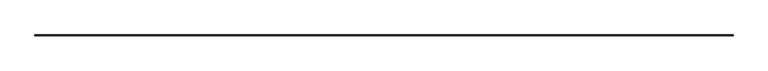
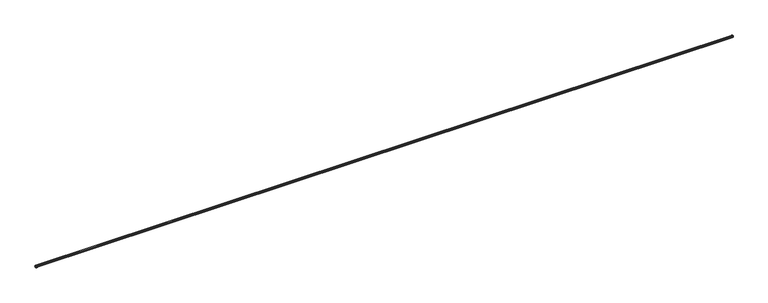
"""IFC4 building model written with IfcOpenShell, lengths in millimetres: railing geometry."""

from ifc_helpers import new_model, si_unit, frame, origin, place, context, project, spatial, polyline, circle_curve, ellipse_curve, source, transform, mapped, element, save
from ifc_brep_helpers import plane_surface, cylinder_surface, revolved_surface, advanced_brep


def railing_58721447(model_context):
    return source(origin(), model_context, "Body", "AdvancedBrep", [
        advanced_brep(
        [(25075.4823719, 66184.3926023, 663.956), (25075.4823719, 66184.3926023, 667.6887442), (6785.4503719, 66184.3926023, 667.6887442), (6785.4503719, 66184.3926023, 663.956), (25074.4663719, 66183.3766023, 663.575), (6786.4663719, 66183.3766023, 663.575), (25076.2761219, 66185.1863523, 687.578), (25075.4823719, 66184.3926023, 688.37175), (6785.4503719, 66184.3926023, 688.37175), (6784.6566219, 66185.1863523, 687.578), (25075.4823719, 66184.3926023, 707.644), (25074.4663719, 66183.3766023, 708.025), (6786.4663719, 66183.3766023, 708.025), (6785.4503719, 66184.3926023, 707.644), (25075.4823719, 66184.3926023, 683.22825), (25076.2761219, 66185.1863523, 684.022), (6784.6566219, 66185.1863523, 684.022), (6785.4503719, 66184.3926023, 683.22825), (25074.4663719, 66182.5828523, 711.2), (25074.4663719, 66182.5828523, 708.025), (25075.4823719, 66182.5828523, 707.644), (25075.4823719, 66182.5828523, 703.9112558), (25075.4823719, 66182.5828523, 693.0633442), (25075.4823719, 66182.5828523, 688.37175), (25076.2761219, 66182.5828523, 687.578), (25083.1023719, 66182.5828523, 687.578), (25083.1023719, 66182.5828523, 684.022), (25076.2761219, 66182.5828523, 684.022), (25075.4823719, 66182.5828523, 683.22825), (25075.4823719, 66182.5828523, 678.5366558), (25075.4823719, 66182.5828523, 667.6887442), (25075.4823719, 66182.5828523, 663.956), (25074.4663719, 66182.5828523, 663.575), (25074.4663719, 66182.5828523, 660.4), (25095.0403719, 66182.5828523, 660.4), (25098.2153719, 66182.5828523, 671.5125), (25092.6591219, 66182.5828523, 671.5125), (25091.8653719, 66182.5828523, 672.30625), (25091.8653719, 66182.5828523, 673.89375), (25092.6591219, 66182.5828523, 674.6875), (25098.4576143, 66182.5828523, 674.6875), (25098.4576143, 66182.5828523, 696.9125), (25092.6591219, 66182.5828523, 696.9125), (25091.8653719, 66182.5828523, 697.70625), (25091.8653719, 66182.5828523, 699.29375), (25092.6591219, 66182.5828523, 700.0875), (25098.2153719, 66182.5828523, 700.0875), (25095.0403719, 66182.5828523, 711.2), (6786.4663719, 66182.5828523, 711.2), (6765.8923719, 66182.5828523, 711.2), (6762.7173719, 66182.5828523, 700.0875), (6768.2736219, 66182.5828523, 700.0875), (6769.0673719, 66182.5828523, 699.29375), (6769.0673719, 66182.5828523, 697.70625), (6768.2736219, 66182.5828523, 696.9125), (6762.4751295, 66182.5828523, 696.9125), (6762.4751295, 66182.5828523, 674.6875), (6768.2736219, 66182.5828523, 674.6875), (6769.0673719, 66182.5828523, 673.89375), (6769.0673719, 66182.5828523, 672.30625), (6768.2736219, 66182.5828523, 671.5125), (6762.7173719, 66182.5828523, 671.5125), (6765.8923719, 66182.5828523, 660.4), (6786.4663719, 66182.5828523, 660.4), (6786.4663719, 66182.5828523, 663.575), (6785.4503719, 66182.5828523, 663.956), (6785.4503719, 66182.5828523, 667.6887442), (6785.4503719, 66182.5828523, 678.5366558), (6785.4503719, 66182.5828523, 683.22825), (6784.6566219, 66182.5828523, 684.022), (6777.8303719, 66182.5828523, 684.022), (6777.8303719, 66182.5828523, 687.578), (6784.6566219, 66182.5828523, 687.578), (6785.4503719, 66182.5828523, 688.37175), (6785.4503719, 66182.5828523, 693.0633442), (6785.4503719, 66182.5828523, 703.9112558), (6785.4503719, 66182.5828523, 707.644), (6786.4663719, 66182.5828523, 708.025), (25074.4663719, 66183.3766023, 711.2), (25095.0403719, 66203.9506023, 711.2), (6765.8923719, 66203.9506023, 711.2), (6786.4663719, 66183.3766023, 711.2), (25098.2153719, 66207.1256023, 700.0875), (6762.7173719, 66207.1256023, 700.0875), (25092.6591219, 66201.5693523, 700.0875), (6768.2736219, 66201.5693523, 700.0875), (25091.8653719, 66200.7756023, 699.29375), (6769.0673719, 66200.7756023, 699.29375), (25091.8653719, 66200.7756023, 697.70625), (6769.0673719, 66200.7756023, 697.70625), (25092.6591219, 66201.5693523, 696.9125), (6768.2736219, 66201.5693523, 696.9125), (25098.4576143, 66207.3678447, 696.9125), (6762.4751295, 66207.3678447, 696.9125), (25098.4576143, 66207.3678447, 674.6875), (6762.4751295, 66207.3678447, 674.6875), (25092.6591219, 66201.5693523, 674.6875), (6768.2736219, 66201.5693523, 674.6875), (25091.8653719, 66200.7756023, 673.89375), (6769.0673719, 66200.7756023, 673.89375), (25091.8653719, 66200.7756023, 672.30625), (6769.0673719, 66200.7756023, 672.30625), (25092.6591219, 66201.5693523, 671.5125), (6768.2736219, 66201.5693523, 671.5125), (25098.2153719, 66207.1256023, 671.5125), (6762.7173719, 66207.1256023, 671.5125), (25095.0403719, 66203.9506023, 660.4), (6765.8923719, 66203.9506023, 660.4), (25074.4663719, 66183.3766023, 660.4), (6786.4663719, 66183.3766023, 660.4), (25075.4823719, 66184.3926023, 703.9112558), (6785.4503719, 66184.3926023, 703.9112558), (25075.4823719, 66184.3926023, 693.0633442), (6785.4503719, 66184.3926023, 693.0633442), (25083.1023719, 66192.0126023, 687.578), (6777.8303719, 66192.0126023, 687.578), (25083.1023719, 66192.0126023, 684.022), (6777.8303719, 66192.0126023, 684.022), (25075.4823719, 66184.3926023, 678.5366558), (6785.4503719, 66184.3926023, 678.5366558)],
        [
            (0, 1),
            (1, 2),
            (2, 3),
            (3, 0),
            (4, 0),
            (3, 5),
            (5, 4),
            (6, 7),
            (7, 8),
            (8, 9),
            (9, 6),
            (10, 11),
            (11, 12),
            (12, 13),
            (13, 10),
            (14, 15),
            (15, 16),
            (16, 17),
            (17, 14),
            (18, 19),
            (19, 20),
            (20, 21),
            (21, 22, circle_curve(frame((25072.1803719, 66182.5828523, 698.4873), z_axis=(0.0, 1.0, 0.0), x_axis=(0.5200000000000491, 0.0, 0.854166260162475)), 6.35)),
            (22, 23),
            (23, 24),
            (24, 25),
            (25, 26),
            (26, 27),
            (27, 28),
            (28, 29),
            (29, 30, circle_curve(frame((25072.1803719, 66182.5828523, 673.1127), z_axis=(0.0, 1.0, 0.0), x_axis=(0.5200000000000491, 0.0, 0.854166260162475)), 6.35)),
            (30, 31),
            (31, 32),
            (32, 33),
            (33, 34),
            (34, 35, circle_curve(frame((25092.924613, 66182.5828523, 667.014324), z_axis=(0.0, -1.0, 0.0), x_axis=(0.7618660563708549, 0.0, 0.6477346000870429)), 6.9444739)),
            (35, 36),
            (36, 37, circle_curve(frame((25092.6591219, 66182.5828523, 672.30625), z_axis=(0.0, 1.0, 0.0), x_axis=(-1.0, 0.0, 0.0)), 0.79375)),
            (37, 38),
            (38, 39, circle_curve(frame((25092.6591219, 66182.5828523, 673.89375), z_axis=(0.0, 1.0, 0.0), x_axis=(0.0, 0.0, 1.0)), 0.79375)),
            (39, 40),
            (40, 41, circle_curve(frame((25055.4190869, 66182.5828523, 685.8), z_axis=(0.0, -1.0, 0.0), x_axis=(0.9682458365518529, 0.0, 0.25000000000000533)), 44.45)),
            (41, 42),
            (42, 43, circle_curve(frame((25092.6591219, 66182.5828523, 697.70625), z_axis=(0.0, 1.0, 0.0), x_axis=(-1.0, 0.0, 0.0)), 0.79375)),
            (43, 44),
            (44, 45, circle_curve(frame((25092.6591219, 66182.5828523, 699.29375), z_axis=(0.0, 1.0, 0.0), x_axis=(0.0, 0.0, 1.0)), 0.79375)),
            (45, 46),
            (46, 47, circle_curve(frame((25092.924613, 66182.5828523, 704.585676), z_axis=(0.0, -1.0, 0.0), x_axis=(0.3046679949859871, 0.0, 0.9524586147603573)), 6.9444739)),
            (47, 18),
            (48, 49),
            (49, 50, circle_curve(frame((6768.0081309, 66182.5828523, 704.585676), z_axis=(0.0, -1.0, 0.0), x_axis=(-0.3046679949859871, 0.0, 0.9524586147603573)), 6.9444739)),
            (50, 51),
            (51, 52, circle_curve(frame((6768.2736219, 66182.5828523, 699.29375), z_axis=(0.0, 1.0, 0.0), x_axis=(0.0, 0.0, 1.0)), 0.79375)),
            (52, 53),
            (53, 54, circle_curve(frame((6768.2736219, 66182.5828523, 697.70625), z_axis=(0.0, 1.0, 0.0), x_axis=(1.0, 0.0, 0.0)), 0.79375)),
            (54, 55),
            (55, 56, circle_curve(frame((6805.513657, 66182.5828523, 685.8), z_axis=(0.0, -1.0, 0.0), x_axis=(-0.9682458365518529, 0.0, 0.25000000000000533)), 44.45)),
            (56, 57),
            (57, 58, circle_curve(frame((6768.2736219, 66182.5828523, 673.89375), z_axis=(0.0, 1.0, 0.0), x_axis=(0.0, 0.0, 1.0)), 0.79375)),
            (58, 59),
            (59, 60, circle_curve(frame((6768.2736219, 66182.5828523, 672.30625), z_axis=(0.0, 1.0, 0.0), x_axis=(1.0, 0.0, 0.0)), 0.79375)),
            (60, 61),
            (61, 62, circle_curve(frame((6768.0081309, 66182.5828523, 667.014324), z_axis=(0.0, -1.0, 0.0), x_axis=(-0.7618660563708549, 0.0, 0.6477346000870429)), 6.9444739)),
            (62, 63),
            (63, 64),
            (64, 65),
            (65, 66),
            (66, 67, circle_curve(frame((6788.7523719, 66182.5828523, 673.1127), z_axis=(0.0, 1.0, 0.0), x_axis=(-0.5200000000000491, 0.0, 0.854166260162475)), 6.35)),
            (67, 68),
            (68, 69),
            (69, 70),
            (70, 71),
            (71, 72),
            (72, 73),
            (73, 74),
            (74, 75, circle_curve(frame((6788.7523719, 66182.5828523, 698.4873), z_axis=(0.0, 1.0, 0.0), x_axis=(-0.5200000000000491, 0.0, 0.854166260162475)), 6.35)),
            (75, 76),
            (76, 77),
            (77, 48),
            (78, 79),
            (79, 80),
            (80, 81),
            (81, 78),
            (79, 82, ellipse_curve(frame((25092.924613, 66201.8348434, 704.585676), z_axis=(-0.7071067811865461, 0.7071067811865488, 0.0), x_axis=(0.7071067811865489, 0.707106781186546, 0.0)), 9.8209692, 6.9444739)),
            (82, 83),
            (83, 80, ellipse_curve(frame((6768.0081309, 66201.8348434, 704.585676), z_axis=(0.7071067811865488, 0.7071067811865461, 0.0), x_axis=(0.7071067811865462, -0.7071067811865487, 0.0)), 9.8209692, 6.9444739)),
            (82, 84),
            (84, 85),
            (85, 83),
            (84, 86, ellipse_curve(frame((25092.6591219, 66201.5693523, 699.29375), z_axis=(0.7071067811865461, -0.7071067811865488, 0.0), x_axis=(-0.7071067811865489, -0.707106781186546, 0.0)), 1.122532, 0.79375)),
            (86, 87),
            (87, 85, ellipse_curve(frame((6768.2736219, 66201.5693523, 699.29375), z_axis=(-0.7071067811865488, -0.7071067811865461, 0.0), x_axis=(-0.7071067811865462, 0.7071067811865487, 0.0)), 1.122532, 0.79375)),
            (86, 88),
            (88, 89),
            (89, 87),
            (88, 90, ellipse_curve(frame((25092.6591219, 66201.5693523, 697.70625), z_axis=(0.7071067811865461, -0.7071067811865488, 0.0), x_axis=(-0.7071067811865489, -0.707106781186546, 0.0)), 1.122532, 0.79375)),
            (90, 91),
            (91, 89, ellipse_curve(frame((6768.2736219, 66201.5693523, 697.70625), z_axis=(-0.7071067811865488, -0.7071067811865461, 0.0), x_axis=(-0.7071067811865462, 0.7071067811865487, 0.0)), 1.122532, 0.79375)),
            (90, 92),
            (92, 93),
            (93, 91),
            (92, 94, ellipse_curve(frame((25055.4190869, 66164.3293173, 685.8), z_axis=(-0.7071067811865461, 0.7071067811865488, 0.0), x_axis=(0.7071067811865489, 0.707106781186546, 0.0)), 62.8617928, 44.45)),
            (94, 95),
            (95, 93, ellipse_curve(frame((6805.513657, 66164.3293173, 685.8), z_axis=(0.7071067811865488, 0.7071067811865461, 0.0), x_axis=(0.7071067811865462, -0.7071067811865487, 0.0)), 62.8617928, 44.45)),
            (94, 96),
            (96, 97),
            (97, 95),
            (96, 98, ellipse_curve(frame((25092.6591219, 66201.5693523, 673.89375), z_axis=(0.7071067811865461, -0.7071067811865488, 0.0), x_axis=(-0.7071067811865489, -0.707106781186546, 0.0)), 1.122532, 0.79375)),
            (98, 99),
            (99, 97, ellipse_curve(frame((6768.2736219, 66201.5693523, 673.89375), z_axis=(-0.7071067811865488, -0.7071067811865461, 0.0), x_axis=(-0.7071067811865462, 0.7071067811865487, 0.0)), 1.122532, 0.79375)),
            (98, 100),
            (100, 101),
            (101, 99),
            (100, 102, ellipse_curve(frame((25092.6591219, 66201.5693523, 672.30625), z_axis=(0.7071067811865461, -0.7071067811865488, 0.0), x_axis=(-0.7071067811865489, -0.707106781186546, 0.0)), 1.122532, 0.79375)),
            (102, 103),
            (103, 101, ellipse_curve(frame((6768.2736219, 66201.5693523, 672.30625), z_axis=(-0.7071067811865488, -0.7071067811865461, 0.0), x_axis=(-0.7071067811865462, 0.7071067811865487, 0.0)), 1.122532, 0.79375)),
            (102, 104),
            (104, 105),
            (105, 103),
            (104, 106, ellipse_curve(frame((25092.924613, 66201.8348434, 667.014324), z_axis=(-0.7071067811865461, 0.7071067811865488, 0.0), x_axis=(0.7071067811865489, 0.707106781186546, 0.0)), 9.8209692, 6.9444739)),
            (106, 107),
            (107, 105, ellipse_curve(frame((6768.0081309, 66201.8348434, 667.014324), z_axis=(0.7071067811865488, 0.7071067811865461, 0.0), x_axis=(0.7071067811865462, -0.7071067811865487, 0.0)), 9.8209692, 6.9444739)),
            (106, 108),
            (108, 109),
            (109, 107),
            (108, 4),
            (5, 109),
            (110, 10),
            (13, 111),
            (111, 110),
            (112, 110, ellipse_curve(frame((25072.1803719, 66181.0906023, 698.4873), z_axis=(0.7071067811865461, -0.7071067811865488, 0.0), x_axis=(-0.7071067811865489, -0.707106781186546, 0.0)), 8.9802561, 6.35)),
            (111, 113, ellipse_curve(frame((6788.7523719, 66181.0906023, 698.4873), z_axis=(-0.7071067811865488, -0.7071067811865461, 0.0), x_axis=(-0.7071067811865462, 0.7071067811865487, 0.0)), 8.9802561, 6.35)),
            (113, 112),
            (7, 112),
            (113, 8),
            (114, 6),
            (9, 115),
            (115, 114),
            (116, 114),
            (115, 117),
            (117, 116),
            (15, 116),
            (117, 16),
            (118, 14),
            (17, 119),
            (119, 118),
            (1, 118, ellipse_curve(frame((25072.1803719, 66181.0906023, 673.1127), z_axis=(0.7071067811865461, -0.7071067811865488, 0.0), x_axis=(-0.7071067811865489, -0.707106781186546, 0.0)), 8.9802561, 6.35)),
            (119, 2, ellipse_curve(frame((6788.7523719, 66181.0906023, 673.1127), z_axis=(-0.7071067811865488, -0.7071067811865461, 0.0), x_axis=(-0.7071067811865462, 0.7071067811865487, 0.0)), 8.9802561, 6.35)),
            (11, 78),
            (81, 12),
            (18, 78),
            (11, 19),
            (47, 79),
            (81, 48),
            (77, 12),
            (80, 49),
            (20, 10),
            (110, 21),
            (32, 4),
            (108, 33),
            (106, 34),
            (104, 35),
            (102, 36),
            (100, 37),
            (98, 38),
            (96, 39),
            (94, 40),
            (92, 41),
            (90, 42),
            (88, 43),
            (86, 44),
            (84, 45),
            (82, 46),
            (13, 76),
            (75, 111),
            (5, 64),
            (63, 109),
            (62, 107),
            (61, 105),
            (60, 103),
            (59, 101),
            (58, 99),
            (57, 97),
            (56, 95),
            (55, 93),
            (54, 91),
            (53, 89),
            (52, 87),
            (51, 85),
            (50, 83),
            (25, 114),
            (116, 26),
            (24, 6),
            (22, 112),
            (7, 23),
            (115, 71),
            (70, 117),
            (9, 72),
            (113, 74),
            (73, 8),
            (28, 14),
            (118, 29),
            (15, 27),
            (17, 68),
            (67, 119),
            (69, 16),
            (1, 30),
            (0, 31),
            (66, 2),
            (65, 3),
        ],
        [
            plane_surface(frame((25075.4823719, 66184.3926023, 667.6887442), z_axis=(0.0, -1.0, 0.0), x_axis=(-1.0, 0.0, 0.0))),
            plane_surface(frame((25075.4823719, 66184.3926023, 663.956), z_axis=(0.0, -0.3511234415874241, 0.9363291775694074), x_axis=(-1.0, 0.0, 0.0))),
            plane_surface(frame((25075.4823719, 66184.3926023, 688.37175), z_axis=(0.0, -0.707106781186549, -0.707106781186546), x_axis=(-1.0, 0.0, 0.0))),
            plane_surface(frame((25074.4663719, 66183.3766023, 708.025), z_axis=(0.0, -0.3511234415880363, -0.9363291775691779), x_axis=(-1.0, 0.0, 0.0))),
            plane_surface(frame((25076.2761219, 66185.1863523, 684.022), z_axis=(0.0, -0.7071067811865469, 0.7071067811865481), x_axis=(-1.0, 0.0, 0.0))),
            plane_surface(frame((25074.4663719, 66182.5828523, 711.2), z_axis=(0.0, -1.0, 0.0), x_axis=(0.0, 0.0, 1.0))),
            plane_surface(frame((6786.4663719, 66182.5828523, 711.2), z_axis=(0.0, -1.0, 0.0), x_axis=(0.0, 0.0, -1.0))),
            plane_surface(frame((25095.0403719, 66203.9506023, 711.2), z_axis=(0.0, 0.0, 1.0), x_axis=(-1.0, 0.0, 0.0))),
            cylinder_surface(frame((25074.4663719, 66201.8348434, 704.585676), z_axis=(1.0000000000000002, 0.0, 0.0), x_axis=(0.0, 0.3046679949859871, 0.9524586147603573)), 6.9444739),
            plane_surface(frame((25092.6591219, 66201.5693523, 700.0875), z_axis=(0.0, 0.0, -1.0), x_axis=(-1.0, 0.0, 0.0))),
            revolved_surface(polyline([(6767.479871910702, 66201.5693523, 700.0875000000001), (25093.452871889298, 66201.5693523, 700.0875000000001)]), (25074.4663719, 66201.5693523, 699.29375), (-1.0, 0.0, 0.0)),
            plane_surface(frame((25091.8653719, 66200.7756023, 697.70625), z_axis=(0.0, 1.0, 0.0), x_axis=(-1.0, 0.0, 0.0))),
            revolved_surface(polyline([(6767.479871910702, 66200.7756023, 697.70625), (25093.452871889298, 66200.7756023, 697.70625)]), (25074.4663719, 66201.5693523, 697.70625), (-1.0, 0.0, 0.0)),
            plane_surface(frame((25098.4576143, 66207.3678447, 696.9125), z_axis=(0.0, 0.0, 1.0), x_axis=(-1.0, 0.0, 0.0))),
            cylinder_surface(frame((25074.4663719, 66164.3293173, 685.8), z_axis=(1.0, 0.0, 0.0), x_axis=(0.0, 0.9682458365518529, 0.25000000000000533)), 44.45),
            plane_surface(frame((25092.6591219, 66201.5693523, 674.6875), z_axis=(0.0, 0.0, -1.0), x_axis=(-1.0, 0.0, 0.0))),
            revolved_surface(polyline([(6767.479871910702, 66201.5693523, 674.6875), (25093.452871889298, 66201.5693523, 674.6875)]), (25074.4663719, 66201.5693523, 673.89375), (-1.0, 0.0, 0.0)),
            plane_surface(frame((25091.8653719, 66200.7756023, 672.30625), z_axis=(0.0, 1.0, 0.0), x_axis=(-1.0, 0.0, 0.0))),
            revolved_surface(polyline([(6767.479871910702, 66200.7756023, 672.30625), (25093.452871889298, 66200.7756023, 672.30625)]), (25074.4663719, 66201.5693523, 672.30625), (-1.0, 0.0, 0.0)),
            plane_surface(frame((25098.2153719, 66207.1256023, 671.5125), z_axis=(0.0, 0.0, 1.0), x_axis=(-1.0, 0.0, 0.0))),
            cylinder_surface(frame((25074.4663719, 66201.8348434, 667.014324), z_axis=(1.0, 0.0, 0.0), x_axis=(0.0, 0.7618660563708549, 0.6477346000870429)), 6.9444739),
            plane_surface(frame((25074.4663719, 66183.3766023, 660.4), z_axis=(0.0, 0.0, -1.0), x_axis=(-1.0, 0.0, 0.0))),
            plane_surface(frame((25074.4663719, 66183.3766023, 663.575), z_axis=(0.0, -1.0, 0.0), x_axis=(-1.0, 0.0, 0.0))),
            plane_surface(frame((25075.4823719, 66184.3926023, 707.644), z_axis=(0.0, -1.0, 0.0), x_axis=(-1.0, 0.0, 0.0))),
            revolved_surface(polyline([(6782.402371914897, 66184.3926023, 703.9112557520317), (25078.530371885103, 66184.3926023, 703.9112557520317)]), (25074.4663719, 66181.0906023, 698.4873), (-1.0, 0.0, 0.0)),
            plane_surface(frame((25075.4823719, 66184.3926023, 693.0633442), z_axis=(0.0, -1.0, 0.0), x_axis=(-1.0, 0.0, 0.0))),
            plane_surface(frame((25076.2761219, 66185.1863523, 687.578), z_axis=(0.0, 0.0, -1.0), x_axis=(-1.0, 0.0, 0.0))),
            plane_surface(frame((25083.1023719, 66192.0126023, 687.578), z_axis=(0.0, -1.0, 0.0), x_axis=(-1.0, 0.0, 0.0))),
            plane_surface(frame((25083.1023719, 66192.0126023, 684.022), z_axis=(0.0, 0.0, 1.0), x_axis=(-1.0, 0.0, 0.0))),
            plane_surface(frame((25075.4823719, 66184.3926023, 683.22825), z_axis=(0.0, -1.0, 0.0), x_axis=(-1.0, 0.0, 0.0))),
            revolved_surface(polyline([(6782.402371914897, 66184.3926023, 678.5366557520317), (25078.530371885103, 66184.3926023, 678.5366557520317)]), (25074.4663719, 66181.0906023, 673.1127), (-1.0, 0.0, 0.0)),
            plane_surface(frame((25074.4663719, 66183.3766023, 711.2), z_axis=(0.0, -1.0, 0.0), x_axis=(-1.0, 0.0, 0.0))),
            plane_surface(frame((25074.4663719, 66182.5828523, 711.2), z_axis=(-1.0, 0.0, 0.0), x_axis=(0.0, 1.0, 0.0))),
            plane_surface(frame((25095.0403719, 66182.5828523, 711.2), z_axis=(0.0, 0.0, 1.0), x_axis=(0.0, 1.0, 0.0))),
            plane_surface(frame((6786.4663719, 66183.3766023, 711.2), z_axis=(1.0, 2.728484105269154e-12, 0.0), x_axis=(2.728484105269154e-12, -1.0, 0.0))),
            plane_surface(frame((6765.8923719, 66203.9506023, 711.2), z_axis=(0.0, 0.0, 1.0), x_axis=(0.0, -1.0, 0.0))),
            plane_surface(frame((25075.4823719, 66182.5828523, 707.644), z_axis=(-1.0, 0.0, 0.0), x_axis=(0.0, 1.0, 0.0))),
            plane_surface(frame((25074.4663719, 66182.5828523, 663.575), z_axis=(-1.0, 0.0, 0.0), x_axis=(0.0, 1.0, 0.0))),
            plane_surface(frame((25074.4663719, 66182.5828523, 660.4), z_axis=(0.0, 0.0, -1.0), x_axis=(0.0, 1.0, 0.0))),
            cylinder_surface(frame((25092.924613, 66182.5828523, 667.014324), z_axis=(0.0, -1.0, 0.0), x_axis=(0.7618660563708549, 0.0, 0.6477346000870429)), 6.9444739),
            plane_surface(frame((25098.2153719, 66182.5828523, 671.5125), z_axis=(0.0, 0.0, 1.0), x_axis=(0.0, 1.0, 0.0))),
            revolved_surface(polyline([(25091.8653719, 66202.3631022893, 672.30625), (25091.8653719, 66182.5828523, 672.30625)]), (25092.6591219, 66182.5828523, 672.30625), (0.0, 1.0, 0.0)),
            plane_surface(frame((25091.8653719, 66182.5828523, 672.30625), z_axis=(1.0, 0.0, 0.0), x_axis=(0.0, 1.0, 0.0))),
            revolved_surface(polyline([(25092.6591219, 66202.3631022893, 674.6875), (25092.6591219, 66182.5828523, 674.6875)]), (25092.6591219, 66182.5828523, 673.89375), (0.0, 1.0, 0.0)),
            plane_surface(frame((25092.6591219, 66182.5828523, 674.6875), z_axis=(0.0, 0.0, -1.0), x_axis=(0.0, 1.0, 0.0))),
            cylinder_surface(frame((25055.4190869, 66182.5828523, 685.8), z_axis=(0.0, -1.0, 0.0), x_axis=(0.9682458365518529, 0.0, 0.25000000000000533)), 44.45),
            plane_surface(frame((25098.4576143, 66182.5828523, 696.9125), z_axis=(0.0, 0.0, 1.0), x_axis=(0.0, 1.0, 0.0))),
            revolved_surface(polyline([(25091.8653719, 66202.3631022893, 697.70625), (25091.8653719, 66182.5828523, 697.70625)]), (25092.6591219, 66182.5828523, 697.70625), (0.0, 1.0, 0.0)),
            plane_surface(frame((25091.8653719, 66182.5828523, 697.70625), z_axis=(1.0, 0.0, 0.0), x_axis=(0.0, 1.0, 0.0))),
            revolved_surface(polyline([(25092.6591219, 66202.3631022893, 700.0875000000001), (25092.6591219, 66182.5828523, 700.0875000000001)]), (25092.6591219, 66182.5828523, 699.29375), (0.0, 1.0, 0.0)),
            plane_surface(frame((25092.6591219, 66182.5828523, 700.0875), z_axis=(0.0, 0.0, -1.0), x_axis=(0.0, 1.0, 0.0))),
            cylinder_surface(frame((25092.924613, 66182.5828523, 704.585676), z_axis=(0.0, -1.0000000000000002, 0.0), x_axis=(0.3046679949859871, 0.0, 0.9524586147603573)), 6.9444739),
            plane_surface(frame((6785.4503719, 66184.3926023, 707.644), z_axis=(1.0, 1.196703554955443e-12, 0.0), x_axis=(1.196703554955443e-12, -1.0, 0.0))),
            plane_surface(frame((6786.4663719, 66183.3766023, 663.575), z_axis=(1.0, 2.728484105269154e-12, 0.0), x_axis=(2.728484105269154e-12, -1.0, 0.0))),
            plane_surface(frame((6786.4663719, 66183.3766023, 660.4), z_axis=(0.0, 0.0, -1.0), x_axis=(0.0, -1.0, 0.0))),
            cylinder_surface(frame((6768.0081309, 66183.3766023, 667.014324), z_axis=(0.0, 1.0, 0.0), x_axis=(-0.7618660563708549, 0.0, 0.6477346000870429)), 6.9444739),
            plane_surface(frame((6762.7173719, 66207.1256023, 671.5125), z_axis=(0.0, 0.0, 1.0), x_axis=(0.0, -1.0, 0.0))),
            revolved_surface(polyline([(6769.0673719, 66182.5828523, 672.30625), (6769.0673719, 66202.3631022893, 672.30625)]), (6768.2736219, 66183.3766023, 672.30625), (0.0, -1.0, 0.0)),
            plane_surface(frame((6769.0673719, 66200.7756023, 672.30625), z_axis=(-1.0, 0.0, 0.0), x_axis=(0.0, -1.0, 0.0))),
            revolved_surface(polyline([(6768.2736219, 66182.5828523, 674.6875), (6768.2736219, 66202.3631022893, 674.6875)]), (6768.2736219, 66183.3766023, 673.89375), (0.0, -1.0, 0.0)),
            plane_surface(frame((6768.2736219, 66201.5693523, 674.6875), z_axis=(0.0, 0.0, -1.0), x_axis=(0.0, -1.0, 0.0))),
            cylinder_surface(frame((6805.513657, 66183.3766023, 685.8), z_axis=(0.0, 1.0, 0.0), x_axis=(-0.9682458365518529, 0.0, 0.25000000000000533)), 44.45),
            plane_surface(frame((6762.4751295, 66207.3678447, 696.9125), z_axis=(0.0, 0.0, 1.0), x_axis=(0.0, -1.0, 0.0))),
            revolved_surface(polyline([(6769.0673719, 66182.5828523, 697.70625), (6769.0673719, 66202.3631022893, 697.70625)]), (6768.2736219, 66183.3766023, 697.70625), (0.0, -1.0, 0.0)),
            plane_surface(frame((6769.0673719, 66200.7756023, 697.70625), z_axis=(-1.0, 0.0, 0.0), x_axis=(0.0, -1.0, 0.0))),
            revolved_surface(polyline([(6768.2736219, 66182.5828523, 700.0875000000001), (6768.2736219, 66202.3631022893, 700.0875000000001)]), (6768.2736219, 66183.3766023, 699.29375), (0.0, -1.0, 0.0)),
            plane_surface(frame((6768.2736219, 66201.5693523, 700.0875), z_axis=(0.0, 0.0, -1.0), x_axis=(0.0, -1.0, 0.0))),
            cylinder_surface(frame((6768.0081309, 66183.3766023, 704.585676), z_axis=(0.0, 1.0000000000000002, 0.0), x_axis=(-0.3046679949859871, 0.0, 0.9524586147603573)), 6.9444739),
            plane_surface(frame((25083.1023719, 66182.5828523, 687.578), z_axis=(-1.0, 0.0, 0.0), x_axis=(0.0, 1.0, 0.0))),
            plane_surface(frame((25076.2761219, 66182.5828523, 687.578), z_axis=(0.0, 0.0, -1.0), x_axis=(0.0, 1.0, 0.0))),
            plane_surface(frame((25075.4823719, 66182.5828523, 693.0633442), z_axis=(-1.0, 0.0, 0.0), x_axis=(0.0, 1.0, 0.0))),
            revolved_surface(polyline([(25075.4823719, 66187.4406022851, 703.9112557520317), (25075.4823719, 66174.7406023149, 703.9112557520317)]), (25072.1803719, 66182.5828523, 698.4873), (0.0, 1.0, 0.0)),
            plane_surface(frame((6777.8303719, 66192.0126023, 687.578), z_axis=(1.0, 0.0, 0.0), x_axis=(0.0, -1.0, 0.0))),
            plane_surface(frame((6784.6566219, 66185.1863523, 687.578), z_axis=(0.0, 0.0, -1.0), x_axis=(0.0, -1.0, 0.0))),
            plane_surface(frame((6785.4503719, 66184.3926023, 693.0633442), z_axis=(1.0, 1.196703554955443e-12, 0.0), x_axis=(1.196703554955443e-12, -1.0, 0.0))),
            revolved_surface(polyline([(6785.4503718999995, 66174.7406023149, 703.9112557520317), (6785.4503718999995, 66187.4406022851, 703.9112557520317)]), (6788.7523719, 66183.3766023, 698.4873), (0.0, -1.0, 0.0)),
            plane_surface(frame((25075.4823719, 66182.5828523, 683.22825), z_axis=(-1.0, 0.0, 0.0), x_axis=(0.0, 1.0, 0.0))),
            plane_surface(frame((25083.1023719, 66182.5828523, 684.022), z_axis=(0.0, 0.0, 1.0), x_axis=(0.0, 1.0, 0.0))),
            plane_surface(frame((6785.4503719, 66184.3926023, 683.22825), z_axis=(1.0, 1.196703554955443e-12, 0.0), x_axis=(1.196703554955443e-12, -1.0, 0.0))),
            plane_surface(frame((6777.8303719, 66192.0126023, 684.022), z_axis=(0.0, 0.0, 1.0), x_axis=(0.0, -1.0, 0.0))),
            plane_surface(frame((25074.4663719, 66182.5828523, 708.025), z_axis=(-0.3511234415880363, 0.0, -0.9363291775691779), x_axis=(0.0, 1.0, 0.0))),
            plane_surface(frame((25075.4823719, 66182.5828523, 688.37175), z_axis=(-0.707106781186549, 0.0, -0.707106781186546), x_axis=(0.0, 1.0, 0.0))),
            plane_surface(frame((25076.2761219, 66182.5828523, 684.022), z_axis=(-0.7071067811865469, 0.0, 0.7071067811865481), x_axis=(0.0, 1.0, 0.0))),
            revolved_surface(polyline([(25075.4823719, 66187.4406022851, 678.5366557520317), (25075.4823719, 66174.7406023149, 678.5366557520317)]), (25072.1803719, 66182.5828523, 673.1127), (0.0, 1.0, 0.0)),
            plane_surface(frame((25075.4823719, 66182.5828523, 667.6887442), z_axis=(-1.0, 0.0, 0.0), x_axis=(0.0, 1.0, 0.0))),
            plane_surface(frame((25075.4823719, 66182.5828523, 663.956), z_axis=(-0.3511234415874241, 0.0, 0.9363291775694074), x_axis=(0.0, 1.0, 0.0))),
            plane_surface(frame((6786.4663719, 66183.3766023, 708.025), z_axis=(0.3511234415880363, 0.0, -0.9363291775691779), x_axis=(2.728484105269154e-12, -1.0, 0.0))),
            plane_surface(frame((6785.4503719, 66184.3926023, 688.37175), z_axis=(0.707106781186549, 0.0, -0.707106781186546), x_axis=(1.196703554955443e-12, -1.0, 0.0))),
            plane_surface(frame((6784.6566219, 66185.1863523, 684.022), z_axis=(0.7071067811865469, 0.0, 0.7071067811865481), x_axis=(0.0, -1.0, 0.0))),
            revolved_surface(polyline([(6785.4503718999995, 66174.7406023149, 678.5366557520317), (6785.4503718999995, 66187.4406022851, 678.5366557520317)]), (6788.7523719, 66183.3766023, 673.1127), (0.0, -1.0, 0.0)),
            plane_surface(frame((6785.4503719, 66184.3926023, 667.6887442), z_axis=(1.0, 1.196703554955443e-12, 0.0), x_axis=(1.196703554955443e-12, -1.0, 0.0))),
            plane_surface(frame((6785.4503719, 66184.3926023, 663.956), z_axis=(0.3511234415874241, 0.0, 0.9363291775694074), x_axis=(0.0, -1.0, 0.0))),
        ],
        [
            (0, [[1, 2, 3, 4]]),
            (1, [[5, -4, 6, 7]]),
            (2, [[8, 9, 10, 11]]),
            (3, [[12, 13, 14, 15]]),
            (4, [[16, 17, 18, 19]]),
            (5, [[20, 21, 22, 23, 24, 25, 26, 27, 28, 29, 30, 31, 32, 33, 34, 35, 36, 37, 38, 39, 40, 41, 42, 43, 44, 45, 46, 47, 48, 49]]),
            (6, [[50, 51, 52, 53, 54, 55, 56, 57, 58, 59, 60, 61, 62, 63, 64, 65, 66, 67, 68, 69, 70, 71, 72, 73, 74, 75, 76, 77, 78, 79]]),
            (7, [[80, 81, 82, 83]]),
            (8, [[84, 85, 86, -81]]),
            (9, [[87, 88, 89, -85]]),
            (10, [[90, 91, 92, -88]]),
            (11, [[93, 94, 95, -91]]),
            (12, [[96, 97, 98, -94]]),
            (13, [[99, 100, 101, -97]]),
            (14, [[102, 103, 104, -100]]),
            (15, [[105, 106, 107, -103]]),
            (16, [[108, 109, 110, -106]]),
            (17, [[111, 112, 113, -109]]),
            (18, [[114, 115, 116, -112]]),
            (19, [[117, 118, 119, -115]]),
            (20, [[120, 121, 122, -118]]),
            (21, [[123, 124, 125, -121]]),
            (22, [[126, -7, 127, -124]]),
            (23, [[128, -15, 129, 130]]),
            (24, [[131, -130, 132, 133]]),
            (25, [[134, -133, 135, -9]]),
            (26, [[136, -11, 137, 138]]),
            (27, [[139, -138, 140, 141]]),
            (28, [[142, -141, 143, -17]]),
            (29, [[144, -19, 145, 146]]),
            (30, [[147, -146, 148, -2]]),
            (31, [[149, -83, 150, -13]]),
            (32, [[-20, 151, -149, 152]]),
            (33, [[-49, 153, -80, -151]]),
            (34, [[-150, 154, -79, 155]]),
            (35, [[-82, 156, -50, -154]]),
            (36, [[-22, 157, -128, 158]]),
            (37, [[-34, 159, -126, 160]]),
            (38, [[-35, -160, -123, 161]]),
            (39, [[-36, -161, -120, 162]]),
            (40, [[-37, -162, -117, 163]]),
            (41, [[-38, -163, -114, 164]]),
            (42, [[-39, -164, -111, 165]]),
            (43, [[-40, -165, -108, 166]]),
            (44, [[-41, -166, -105, 167]]),
            (45, [[-42, -167, -102, 168]]),
            (46, [[-43, -168, -99, 169]]),
            (47, [[-44, -169, -96, 170]]),
            (48, [[-45, -170, -93, 171]]),
            (49, [[-46, -171, -90, 172]]),
            (50, [[-47, -172, -87, 173]]),
            (51, [[-48, -173, -84, -153]]),
            (52, [[-129, 174, -77, 175]]),
            (53, [[-127, 176, -65, 177]]),
            (54, [[-125, -177, -64, 178]]),
            (55, [[-122, -178, -63, 179]]),
            (56, [[-119, -179, -62, 180]]),
            (57, [[-116, -180, -61, 181]]),
            (58, [[-113, -181, -60, 182]]),
            (59, [[-110, -182, -59, 183]]),
            (60, [[-107, -183, -58, 184]]),
            (61, [[-104, -184, -57, 185]]),
            (62, [[-101, -185, -56, 186]]),
            (63, [[-98, -186, -55, 187]]),
            (64, [[-95, -187, -54, 188]]),
            (65, [[-92, -188, -53, 189]]),
            (66, [[-89, -189, -52, 190]]),
            (67, [[-86, -190, -51, -156]]),
            (68, [[-27, 191, -139, 192]]),
            (69, [[-26, 193, -136, -191]]),
            (70, [[-24, 194, -134, 195]]),
            (71, [[-23, -158, -131, -194]]),
            (72, [[-140, 196, -72, 197]]),
            (73, [[-137, 198, -73, -196]]),
            (74, [[-135, 199, -75, 200]]),
            (75, [[-132, -175, -76, -199]]),
            (76, [[-30, 201, -144, 202]]),
            (77, [[-28, -192, -142, 203]]),
            (78, [[-145, 204, -69, 205]]),
            (79, [[-143, -197, -71, 206]]),
            (80, [[-21, -152, -12, -157]]),
            (81, [[-25, -195, -8, -193]]),
            (82, [[-29, -203, -16, -201]]),
            (83, [[-31, -202, -147, 207]]),
            (84, [[-32, -207, -1, 208]]),
            (85, [[-33, -208, -5, -159]]),
            (86, [[-14, -155, -78, -174]]),
            (87, [[-10, -200, -74, -198]]),
            (88, [[-18, -206, -70, -204]]),
            (89, [[-148, -205, -68, 209]]),
            (90, [[-3, -209, -67, 210]]),
            (91, [[-6, -210, -66, -176]]),
        ],
    ),
        advanced_brep(
        [(25101.3903719, 66210.3006023, 672.30625), (25100.5966219, 66209.5068523, 671.5125), (6760.3361219, 66209.5068523, 671.5125), (6759.5423719, 66210.3006023, 672.30625), (25092.6591219, 66201.5693523, 671.5125), (6768.2736219, 66201.5693523, 671.5125), (25091.8653719, 66200.7756023, 672.30625), (6769.0673719, 66200.7756023, 672.30625), (25091.8653719, 66200.7756023, 673.89375), (6769.0673719, 66200.7756023, 673.89375), (25092.6591219, 66182.5828523, 674.6875), (25091.8653719, 66182.5828523, 673.89375), (25091.8653719, 66182.5828523, 672.30625), (25092.6591219, 66182.5828523, 671.5125), (25100.5966219, 66182.5828523, 671.5125), (25101.3903719, 66182.5828523, 672.30625), (25101.3903719, 66182.5828523, 673.89375), (25100.5966219, 66182.5828523, 674.6875), (6768.2736219, 66182.5828523, 674.6875), (6760.3361219, 66182.5828523, 674.6875), (6759.5423719, 66182.5828523, 673.89375), (6759.5423719, 66182.5828523, 672.30625), (6760.3361219, 66182.5828523, 671.5125), (6768.2736219, 66182.5828523, 671.5125), (6769.0673719, 66182.5828523, 672.30625), (6769.0673719, 66182.5828523, 673.89375), (25092.6591219, 66201.5693523, 674.6875), (25101.3903719, 66210.3006023, 673.89375), (25100.5966219, 66209.5068523, 674.6875), (6768.2736219, 66201.5693523, 674.6875), (6759.5423719, 66210.3006023, 673.89375), (6760.3361219, 66209.5068523, 674.6875)],
        [
            (0, 1, ellipse_curve(frame((25100.5966219, 66209.5068523, 672.30625), z_axis=(-0.7071067811865461, 0.7071067811865488, 0.0), x_axis=(0.7071067811865489, 0.707106781186546, 0.0)), 1.122532, 0.79375)),
            (1, 2),
            (2, 3, ellipse_curve(frame((6760.3361219, 66209.5068523, 672.30625), z_axis=(0.7071067811865488, 0.7071067811865461, 0.0), x_axis=(0.7071067811865462, -0.7071067811865487, 0.0)), 1.122532, 0.79375)),
            (3, 0),
            (1, 4),
            (4, 5),
            (5, 2),
            (4, 6, ellipse_curve(frame((25092.6591219, 66201.5693523, 672.30625), z_axis=(-0.7071067811865461, 0.7071067811865488, 0.0), x_axis=(0.7071067811865489, 0.707106781186546, 0.0)), 1.122532, 0.79375)),
            (6, 7),
            (7, 5, ellipse_curve(frame((6768.2736219, 66201.5693523, 672.30625), z_axis=(0.7071067811865488, 0.7071067811865461, 0.0), x_axis=(0.7071067811865462, -0.7071067811865487, 0.0)), 1.122532, 0.79375)),
            (6, 8),
            (8, 9),
            (9, 7),
            (10, 11, circle_curve(frame((25092.6591219, 66182.5828523, 673.89375), z_axis=(0.0, -1.0, 0.0), x_axis=(0.0, 0.0, 1.0)), 0.79375)),
            (11, 12),
            (12, 13, circle_curve(frame((25092.6591219, 66182.5828523, 672.30625), z_axis=(0.0, -1.0, 0.0), x_axis=(0.0, 0.0, -1.0)), 0.79375)),
            (13, 14),
            (14, 15, circle_curve(frame((25100.5966219, 66182.5828523, 672.30625), z_axis=(0.0, -1.0, 0.0), x_axis=(1.0, 0.0, 0.0)), 0.79375)),
            (15, 16),
            (16, 17, circle_curve(frame((25100.5966219, 66182.5828523, 673.89375), z_axis=(0.0, -1.0, 0.0), x_axis=(0.0, 0.0, 1.0)), 0.79375)),
            (17, 10),
            (18, 19),
            (19, 20, circle_curve(frame((6760.3361219, 66182.5828523, 673.89375), z_axis=(0.0, -1.0, 0.0), x_axis=(0.0, 0.0, 1.0)), 0.79375)),
            (20, 21),
            (21, 22, circle_curve(frame((6760.3361219, 66182.5828523, 672.30625), z_axis=(0.0, -1.0, 0.0), x_axis=(-1.0, 0.0, 0.0)), 0.79375)),
            (22, 23),
            (23, 24, circle_curve(frame((6768.2736219, 66182.5828523, 672.30625), z_axis=(0.0, -1.0, 0.0), x_axis=(0.0, 0.0, -1.0)), 0.79375)),
            (24, 25),
            (25, 18, circle_curve(frame((6768.2736219, 66182.5828523, 673.89375), z_axis=(0.0, -1.0, 0.0), x_axis=(0.0, 0.0, 1.0)), 0.79375)),
            (10, 26),
            (26, 8, ellipse_curve(frame((25092.6591219, 66201.5693523, 673.89375), z_axis=(0.7071067811865461, -0.7071067811865488, 0.0), x_axis=(-0.7071067811865487, -0.7071067811865462, 0.0)), 1.122532, 0.79375)),
            (8, 11),
            (6, 12),
            (4, 13),
            (1, 14),
            (0, 15),
            (0, 27),
            (27, 16),
            (27, 28, ellipse_curve(frame((25100.5966219, 66209.5068523, 673.89375), z_axis=(0.7071067811865461, -0.7071067811865488, 0.0), x_axis=(-0.7071067811865487, -0.7071067811865462, 0.0)), 1.122532, 0.79375)),
            (28, 17),
            (28, 26),
            (26, 29),
            (29, 9, ellipse_curve(frame((6768.2736219, 66201.5693523, 673.89375), z_axis=(0.7071067811865488, 0.7071067811865461, 0.0), x_axis=(0.7071067811865462, -0.7071067811865487, 0.0)), 1.122532, 0.79375)),
            (3, 30),
            (30, 27),
            (30, 31, ellipse_curve(frame((6760.3361219, 66209.5068523, 673.89375), z_axis=(0.7071067811865488, 0.7071067811865461, 0.0), x_axis=(0.7071067811865462, -0.7071067811865487, 0.0)), 1.122532, 0.79375)),
            (31, 28),
            (31, 29),
            (29, 18),
            (25, 9),
            (24, 7),
            (23, 5),
            (22, 2),
            (21, 3),
            (20, 30),
            (19, 31),
        ],
        [
            cylinder_surface(frame((25074.4663719, 66209.5068523, 672.30625), z_axis=(1.0, 0.0, 0.0), x_axis=(0.0, 1.0, 0.0)), 0.79375),
            plane_surface(frame((25092.6591219, 66201.5693523, 671.5125), z_axis=(0.0, 0.0, -1.0), x_axis=(-1.0, 0.0, 0.0))),
            cylinder_surface(frame((25074.4663719, 66201.5693523, 672.30625), z_axis=(1.0, 0.0, 0.0), x_axis=(0.0, 0.0, -1.0)), 0.79375),
            plane_surface(frame((25091.8653719, 66200.7756023, 673.89375), z_axis=(0.0, -1.0, 0.0), x_axis=(-1.0, 0.0, 0.0))),
            plane_surface(frame((25074.4663719, 66182.5828523, 711.2), z_axis=(0.0, -1.0, 0.0), x_axis=(0.0, 0.0, 1.0))),
            plane_surface(frame((6786.4663719, 66182.5828523, 711.2), z_axis=(0.0, -1.0, 0.0), x_axis=(0.0, 0.0, -1.0))),
            cylinder_surface(frame((25092.6591219, 66182.5828523, 673.89375), z_axis=(0.0, -1.0, 0.0), x_axis=(0.0, 0.0, 1.0)), 0.79375),
            plane_surface(frame((25091.8653719, 66182.5828523, 673.89375), z_axis=(-1.0, 0.0, 0.0), x_axis=(0.0, 1.0, 0.0))),
            cylinder_surface(frame((25092.6591219, 66182.5828523, 672.30625), z_axis=(0.0, -1.0, 0.0), x_axis=(0.0, 0.0, -1.0)), 0.79375),
            plane_surface(frame((25092.6591219, 66182.5828523, 671.5125), z_axis=(0.0, 0.0, -1.0), x_axis=(0.0, 1.0, 0.0))),
            cylinder_surface(frame((25100.5966219, 66182.5828523, 672.30625), z_axis=(0.0, -1.0, 0.0), x_axis=(1.0, 0.0, 0.0)), 0.79375),
            plane_surface(frame((25101.3903719, 66182.5828523, 672.30625), z_axis=(1.0, 0.0, 0.0), x_axis=(0.0, 1.0, 0.0))),
            cylinder_surface(frame((25100.5966219, 66182.5828523, 673.89375), z_axis=(0.0, -1.0, 0.0), x_axis=(0.0, 0.0, 1.0)), 0.79375),
            plane_surface(frame((25100.5966219, 66182.5828523, 674.6875), z_axis=(0.0, 0.0, 1.0), x_axis=(0.0, 1.0, 0.0))),
            cylinder_surface(frame((25074.4663719, 66201.5693523, 673.89375), z_axis=(1.0, 0.0, 0.0), x_axis=(0.0, 0.0, 1.0)), 0.79375),
            plane_surface(frame((25101.3903719, 66210.3006023, 672.30625), z_axis=(0.0, 1.0, 0.0), x_axis=(-1.0, 0.0, 0.0))),
            cylinder_surface(frame((25074.4663719, 66209.5068523, 673.89375), z_axis=(1.0, 0.0, 0.0), x_axis=(0.0, 0.0, 1.0)), 0.79375),
            plane_surface(frame((25100.5966219, 66209.5068523, 674.6875), z_axis=(0.0, 0.0, 1.0), x_axis=(-1.0, 0.0, 0.0))),
            cylinder_surface(frame((6768.2736219, 66183.3766023, 673.89375), z_axis=(0.0, 1.0, 0.0), x_axis=(0.0, 0.0, 1.0)), 0.79375),
            plane_surface(frame((6769.0673719, 66200.7756023, 673.89375), z_axis=(1.0, 0.0, 0.0), x_axis=(0.0, -1.0, 0.0))),
            cylinder_surface(frame((6768.2736219, 66183.3766023, 672.30625), z_axis=(0.0, 1.0, 0.0), x_axis=(0.0, 0.0, -1.0)), 0.79375),
            plane_surface(frame((6768.2736219, 66201.5693523, 671.5125), z_axis=(0.0, 0.0, -1.0), x_axis=(0.0, -1.0, 0.0))),
            cylinder_surface(frame((6760.3361219, 66183.3766023, 672.30625), z_axis=(0.0, 1.0, 0.0), x_axis=(-1.0, 0.0, 0.0)), 0.79375),
            plane_surface(frame((6759.5423719, 66210.3006023, 672.30625), z_axis=(-1.0, 0.0, 0.0), x_axis=(0.0, -1.0, 0.0))),
            cylinder_surface(frame((6760.3361219, 66183.3766023, 673.89375), z_axis=(0.0, 1.0, 0.0), x_axis=(0.0, 0.0, 1.0)), 0.79375),
            plane_surface(frame((6760.3361219, 66209.5068523, 674.6875), z_axis=(0.0, 0.0, 1.0), x_axis=(0.0, -1.0, 0.0))),
        ],
        [
            (0, [[1, 2, 3, 4]]),
            (1, [[5, 6, 7, -2]]),
            (2, [[8, 9, 10, -6]]),
            (3, [[11, 12, 13, -9]]),
            (4, [[14, 15, 16, 17, 18, 19, 20, 21]]),
            (5, [[22, 23, 24, 25, 26, 27, 28, 29]]),
            (6, [[-14, 30, 31, 32]]),
            (7, [[-15, -32, -11, 33]]),
            (8, [[-16, -33, -8, 34]]),
            (9, [[-17, -34, -5, 35]]),
            (10, [[-18, -35, -1, 36]]),
            (11, [[-19, -36, 37, 38]]),
            (12, [[-20, -38, 39, 40]]),
            (13, [[-21, -40, 41, -30]]),
            (14, [[-31, 42, 43, -12]]),
            (15, [[-37, -4, 44, 45]]),
            (16, [[-39, -45, 46, 47]]),
            (17, [[-41, -47, 48, -42]]),
            (18, [[-43, 49, -29, 50]]),
            (19, [[-13, -50, -28, 51]]),
            (20, [[-10, -51, -27, 52]]),
            (21, [[-7, -52, -26, 53]]),
            (22, [[-3, -53, -25, 54]]),
            (23, [[-44, -54, -24, 55]]),
            (24, [[-46, -55, -23, 56]]),
            (25, [[-48, -56, -22, -49]]),
        ],
    ),
        advanced_brep(
        [(25092.6591219, 66182.5828523, 700.0875), (25091.8653719, 66182.5828523, 699.29375), (25091.8653719, 66182.5828523, 697.70625), (25092.6591219, 66182.5828523, 696.9125), (25100.5966219, 66182.5828523, 696.9125), (25101.3903719, 66182.5828523, 697.70625), (25101.3903719, 66182.5828523, 699.29375), (25100.5966219, 66182.5828523, 700.0875), (6768.2736219, 66182.5828523, 700.0875), (6760.3361219, 66182.5828523, 700.0875), (6759.5423719, 66182.5828523, 699.29375), (6759.5423719, 66182.5828523, 697.70625), (6760.3361219, 66182.5828523, 696.9125), (6768.2736219, 66182.5828523, 696.9125), (6769.0673719, 66182.5828523, 697.70625), (6769.0673719, 66182.5828523, 699.29375), (25092.6591219, 66201.5693523, 700.0875), (25091.8653719, 66200.7756023, 699.29375), (25091.8653719, 66200.7756023, 697.70625), (25092.6591219, 66201.5693523, 696.9125), (25100.5966219, 66209.5068523, 696.9125), (25101.3903719, 66210.3006023, 697.70625), (25101.3903719, 66210.3006023, 699.29375), (25100.5966219, 66209.5068523, 700.0875), (6768.2736219, 66201.5693523, 700.0875), (6769.0673719, 66200.7756023, 699.29375), (6769.0673719, 66200.7756023, 697.70625), (6768.2736219, 66201.5693523, 696.9125), (6760.3361219, 66209.5068523, 696.9125), (6759.5423719, 66210.3006023, 697.70625), (6759.5423719, 66210.3006023, 699.29375), (6760.3361219, 66209.5068523, 700.0875)],
        [
            (0, 1, circle_curve(frame((25092.6591219, 66182.5828523, 699.29375), z_axis=(0.0, -1.0, 0.0), x_axis=(0.0, 0.0, 1.0)), 0.79375)),
            (1, 2),
            (2, 3, circle_curve(frame((25092.6591219, 66182.5828523, 697.70625), z_axis=(0.0, -1.0, 0.0), x_axis=(0.0, 0.0, -1.0)), 0.79375)),
            (3, 4),
            (4, 5, circle_curve(frame((25100.5966219, 66182.5828523, 697.70625), z_axis=(0.0, -1.0, 0.0), x_axis=(1.0, 0.0, 0.0)), 0.79375)),
            (5, 6),
            (6, 7, circle_curve(frame((25100.5966219, 66182.5828523, 699.29375), z_axis=(0.0, -1.0, 0.0), x_axis=(0.0, 0.0, 1.0)), 0.79375)),
            (7, 0),
            (8, 9),
            (9, 10, circle_curve(frame((6760.3361219, 66182.5828523, 699.29375), z_axis=(0.0, -1.0, 0.0), x_axis=(0.0, 0.0, 1.0)), 0.79375)),
            (10, 11),
            (11, 12, circle_curve(frame((6760.3361219, 66182.5828523, 697.70625), z_axis=(0.0, -1.0, 0.0), x_axis=(-1.0, 0.0, 0.0)), 0.79375)),
            (12, 13),
            (13, 14, circle_curve(frame((6768.2736219, 66182.5828523, 697.70625), z_axis=(0.0, -1.0, 0.0), x_axis=(0.0, 0.0, -1.0)), 0.79375)),
            (14, 15),
            (15, 8, circle_curve(frame((6768.2736219, 66182.5828523, 699.29375), z_axis=(0.0, -1.0, 0.0), x_axis=(0.0, 0.0, 1.0)), 0.79375)),
            (0, 16),
            (16, 17, ellipse_curve(frame((25092.6591219, 66201.5693523, 699.29375), z_axis=(0.7071067811865461, -0.7071067811865488, 0.0), x_axis=(-0.7071067811865487, -0.7071067811865462, 0.0)), 1.122532, 0.79375)),
            (17, 1),
            (17, 18),
            (18, 2),
            (18, 19, ellipse_curve(frame((25092.6591219, 66201.5693523, 697.70625), z_axis=(0.7071067811865461, -0.7071067811865488, 0.0), x_axis=(-0.7071067811865487, -0.7071067811865462, 0.0)), 1.122532, 0.79375)),
            (19, 3),
            (19, 20),
            (20, 4),
            (20, 21, ellipse_curve(frame((25100.5966219, 66209.5068523, 697.70625), z_axis=(0.7071067811865461, -0.7071067811865488, 0.0), x_axis=(-0.7071067811865487, -0.7071067811865462, 0.0)), 1.122532, 0.79375)),
            (21, 5),
            (21, 22),
            (22, 6),
            (22, 23, ellipse_curve(frame((25100.5966219, 66209.5068523, 699.29375), z_axis=(0.7071067811865461, -0.7071067811865488, 0.0), x_axis=(-0.7071067811865487, -0.7071067811865462, 0.0)), 1.122532, 0.79375)),
            (23, 7),
            (23, 16),
            (16, 24),
            (24, 25, ellipse_curve(frame((6768.2736219, 66201.5693523, 699.29375), z_axis=(0.7071067811865488, 0.7071067811865461, 0.0), x_axis=(0.7071067811865462, -0.7071067811865487, 0.0)), 1.122532, 0.79375)),
            (25, 17),
            (25, 26),
            (26, 18),
            (26, 27, ellipse_curve(frame((6768.2736219, 66201.5693523, 697.70625), z_axis=(0.7071067811865488, 0.7071067811865461, 0.0), x_axis=(0.7071067811865462, -0.7071067811865487, 0.0)), 1.122532, 0.79375)),
            (27, 19),
            (27, 28),
            (28, 20),
            (28, 29, ellipse_curve(frame((6760.3361219, 66209.5068523, 697.70625), z_axis=(0.7071067811865488, 0.7071067811865461, 0.0), x_axis=(0.7071067811865462, -0.7071067811865487, 0.0)), 1.122532, 0.79375)),
            (29, 21),
            (29, 30),
            (30, 22),
            (30, 31, ellipse_curve(frame((6760.3361219, 66209.5068523, 699.29375), z_axis=(0.7071067811865488, 0.7071067811865461, 0.0), x_axis=(0.7071067811865462, -0.7071067811865487, 0.0)), 1.122532, 0.79375)),
            (31, 23),
            (31, 24),
            (24, 8),
            (15, 25),
            (14, 26),
            (13, 27),
            (12, 28),
            (11, 29),
            (10, 30),
            (9, 31),
        ],
        [
            plane_surface(frame((25074.4663719, 66182.5828523, 711.2), z_axis=(0.0, -1.0, 0.0), x_axis=(0.0, 0.0, 1.0))),
            plane_surface(frame((6786.4663719, 66182.5828523, 711.2), z_axis=(0.0, -1.0, 0.0), x_axis=(0.0, 0.0, -1.0))),
            cylinder_surface(frame((25092.6591219, 66182.5828523, 699.29375), z_axis=(0.0, -1.0, 0.0), x_axis=(0.0, 0.0, 1.0)), 0.79375),
            plane_surface(frame((25091.8653719, 66182.5828523, 699.29375), z_axis=(-1.0, 0.0, 0.0), x_axis=(0.0, 1.0, 0.0))),
            cylinder_surface(frame((25092.6591219, 66182.5828523, 697.70625), z_axis=(0.0, -1.0, 0.0), x_axis=(0.0, 0.0, -1.0)), 0.79375),
            plane_surface(frame((25092.6591219, 66182.5828523, 696.9125), z_axis=(0.0, 0.0, -1.0), x_axis=(0.0, 1.0, 0.0))),
            cylinder_surface(frame((25100.5966219, 66182.5828523, 697.70625), z_axis=(0.0, -1.0, 0.0), x_axis=(1.0, 0.0, 0.0)), 0.79375),
            plane_surface(frame((25101.3903719, 66182.5828523, 697.70625), z_axis=(1.0, 0.0, 0.0), x_axis=(0.0, 1.0, 0.0))),
            cylinder_surface(frame((25100.5966219, 66182.5828523, 699.29375), z_axis=(0.0, -1.0, 0.0), x_axis=(0.0, 0.0, 1.0)), 0.79375),
            plane_surface(frame((25100.5966219, 66182.5828523, 700.0875), z_axis=(0.0, 0.0, 1.0), x_axis=(0.0, 1.0, 0.0))),
            cylinder_surface(frame((25074.4663719, 66201.5693523, 699.29375), z_axis=(1.0, 0.0, 0.0), x_axis=(0.0, 0.0, 1.0)), 0.79375),
            plane_surface(frame((25091.8653719, 66200.7756023, 699.29375), z_axis=(0.0, -1.0, 0.0), x_axis=(-1.0, 0.0, 0.0))),
            cylinder_surface(frame((25074.4663719, 66201.5693523, 697.70625), z_axis=(1.0, 0.0, 0.0), x_axis=(0.0, 0.0, -1.0)), 0.79375),
            plane_surface(frame((25092.6591219, 66201.5693523, 696.9125), z_axis=(0.0, 0.0, -1.0), x_axis=(-1.0, 0.0, 0.0))),
            cylinder_surface(frame((25074.4663719, 66209.5068523, 697.70625), z_axis=(1.0, 0.0, 0.0), x_axis=(0.0, 1.0, 0.0)), 0.79375),
            plane_surface(frame((25101.3903719, 66210.3006023, 697.70625), z_axis=(0.0, 1.0, 0.0), x_axis=(-1.0, 0.0, 0.0))),
            cylinder_surface(frame((25074.4663719, 66209.5068523, 699.29375), z_axis=(1.0, 0.0, 0.0), x_axis=(0.0, 0.0, 1.0)), 0.79375),
            plane_surface(frame((25100.5966219, 66209.5068523, 700.0875), z_axis=(0.0, 0.0, 1.0), x_axis=(-1.0, 0.0, 0.0))),
            cylinder_surface(frame((6768.2736219, 66183.3766023, 699.29375), z_axis=(0.0, 1.0, 0.0), x_axis=(0.0, 0.0, 1.0)), 0.79375),
            plane_surface(frame((6769.0673719, 66200.7756023, 699.29375), z_axis=(1.0, 0.0, 0.0), x_axis=(0.0, -1.0, 0.0))),
            cylinder_surface(frame((6768.2736219, 66183.3766023, 697.70625), z_axis=(0.0, 1.0, 0.0), x_axis=(0.0, 0.0, -1.0)), 0.79375),
            plane_surface(frame((6768.2736219, 66201.5693523, 696.9125), z_axis=(0.0, 0.0, -1.0), x_axis=(0.0, -1.0, 0.0))),
            cylinder_surface(frame((6760.3361219, 66183.3766023, 697.70625), z_axis=(0.0, 1.0, 0.0), x_axis=(-1.0, 0.0, 0.0)), 0.79375),
            plane_surface(frame((6759.5423719, 66210.3006023, 697.70625), z_axis=(-1.0, 0.0, 0.0), x_axis=(0.0, -1.0, 0.0))),
            cylinder_surface(frame((6760.3361219, 66183.3766023, 699.29375), z_axis=(0.0, 1.0, 0.0), x_axis=(0.0, 0.0, 1.0)), 0.79375),
            plane_surface(frame((6760.3361219, 66209.5068523, 700.0875), z_axis=(0.0, 0.0, 1.0), x_axis=(0.0, -1.0, 0.0))),
        ],
        [
            (0, [[1, 2, 3, 4, 5, 6, 7, 8]]),
            (1, [[9, 10, 11, 12, 13, 14, 15, 16]]),
            (2, [[-1, 17, 18, 19]]),
            (3, [[-2, -19, 20, 21]]),
            (4, [[-3, -21, 22, 23]]),
            (5, [[-4, -23, 24, 25]]),
            (6, [[-5, -25, 26, 27]]),
            (7, [[-6, -27, 28, 29]]),
            (8, [[-7, -29, 30, 31]]),
            (9, [[-8, -31, 32, -17]]),
            (10, [[-18, 33, 34, 35]]),
            (11, [[-20, -35, 36, 37]]),
            (12, [[-22, -37, 38, 39]]),
            (13, [[-24, -39, 40, 41]]),
            (14, [[-26, -41, 42, 43]]),
            (15, [[-28, -43, 44, 45]]),
            (16, [[-30, -45, 46, 47]]),
            (17, [[-32, -47, 48, -33]]),
            (18, [[-34, 49, -16, 50]]),
            (19, [[-36, -50, -15, 51]]),
            (20, [[-38, -51, -14, 52]]),
            (21, [[-40, -52, -13, 53]]),
            (22, [[-42, -53, -12, 54]]),
            (23, [[-44, -54, -11, 55]]),
            (24, [[-46, -55, -10, 56]]),
            (25, [[-48, -56, -9, -49]]),
        ],
    ),
    ])


if __name__ == "__main__":
    model = new_model("IFC4")
    model_context = context("Model", 3, world=origin())
    ifc_project = project(units=[si_unit("LENGTHUNIT", "METRE", prefix="MILLI")], contexts=[model_context])
    site = spatial("IfcSite", under=ifc_project)
    building = spatial("IfcBuilding", under=site)
    placement = place(None, origin())
    railing_shape = railing_58721447(model_context)
    element("IfcRailing", 1, at=placement, inside=building, context=model_context, shape_type="MappedRepresentation", body=[
        mapped(railing_shape, transform((0.0, 0.0, 0.0), x_axis=(1.0, 0.0, 0.0), y_axis=(0.0, 1.0, 0.0), z_axis=(0.0, 0.0, 1.0))),
    ])
    save(model, "model.ifc")
